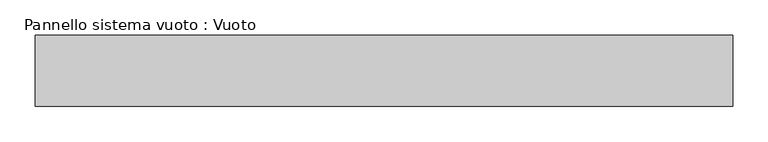
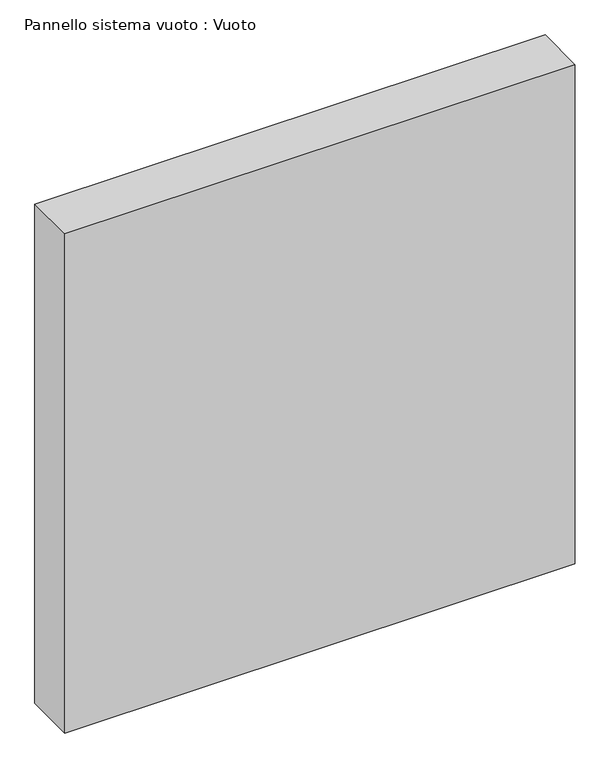
"""IFC4 building model written with IfcOpenShell, lengths in millimetres: plate geometry, Pannello sistema vuoto : Vuoto."""

from ifc_helpers import new_model, si_unit, origin, origin_with_axes, place, context, project, spatial, polyline, outline, extrude, source, transform, mapped, element, save


def pannello_sistema_vuoto_vuoto_612e4b14(model_context):
    return source(origin(), model_context, "Body", "SweptSolid", [
        extrude(outline(polyline([(492.5, -50.0), (-492.5, -50.0), (-492.5, 50.0), (492.5, 50.0), (492.5, -50.0)])), origin_with_axes(), (0.0, 0.0, 1.0), 1018.3333333),
    ])


if __name__ == "__main__":
    model = new_model("IFC4")
    model_context = context("Model", 3, world=origin())
    ifc_project = project(units=[si_unit("LENGTHUNIT", "METRE", prefix="MILLI")], contexts=[model_context])
    site = spatial("IfcSite", under=ifc_project)
    building = spatial("IfcBuilding", under=site)
    placement = place(None, origin())
    pannello_sistema_vuoto_vuoto_shape = pannello_sistema_vuoto_vuoto_612e4b14(model_context)
    element("IfcPlate", 1, ObjectType="Pannello sistema vuoto : Vuoto", at=placement, inside=building, context=model_context, shape_type="MappedRepresentation", body=[
        mapped(pannello_sistema_vuoto_vuoto_shape, transform((0.0, 0.0, 0.0), x_axis=(1.0, 0.0, 0.0), y_axis=(0.0, 1.0, 0.0), z_axis=(0.0, 0.0, 1.0))),
    ])
    save(model, "model.ifc")
